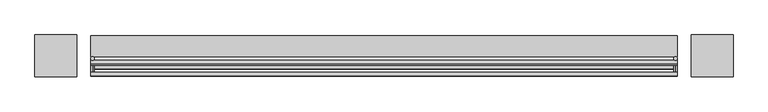
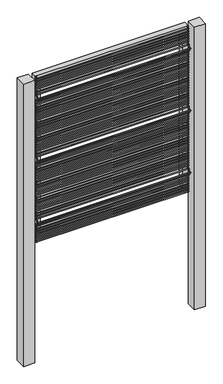
"""IFC4 building model written with IfcOpenShell, lengths in millimetres: railing geometry."""

from ifc_helpers import new_model, si_unit, point, frame, frame_2d, origin, place, context, project, spatial, polyline, circle_curve, ellipse_curve, trimmed, segment, composite_curve, outline, extrude, source, transform, mapped, element, save
from ifc_brep_helpers import plane_surface, cylinder_surface, advanced_brep


def railing_93b7f658(model_context):
    return source(origin(), model_context, "Body", "SolidModel", [
        advanced_brep(
        [(-19528.4056958, 14808.5554142, 25.4), (-19528.4056958, 14802.2054142, 25.4), (-19528.4056958, 14802.2054142, 154.0342316), (-19528.4056958, 14808.5554142, 156.6644878), (-19528.4056958, 14778.4396458, 177.8), (-19528.4056958, 14787.419902, 177.8), (-19528.4056958, 14802.2054142, 201.5657684), (-19528.4056958, 14808.5554142, 198.9355122), (-19528.4056958, 14802.2054142, 611.2342316), (-19528.4056958, 14808.5554142, 613.8644878), (-19528.4056958, 14778.4396458, 635.0), (-19528.4056958, 14787.419902, 635.0), (-19528.4056958, 14802.2054142, 658.7657684), (-19528.4056958, 14808.5554142, 656.1355122), (-19528.4056958, 14802.2054142, 1068.4342316), (-19528.4056958, 14808.5554142, 1071.0644878), (-19528.4056958, 14778.4396458, 1092.2), (-19528.4056958, 14787.419902, 1092.2), (-19528.4056958, 14802.2054142, 1115.9657684), (-19528.4056958, 14808.5554142, 1113.3355122), (-19528.4056958, 14808.5554142, 1244.6), (-19528.4056958, 14802.2054142, 1244.6)],
        [
            (0, 1, circle_curve(frame((-19528.4056958, 14805.3804142, 25.4), z_axis=(0.0, 0.0, -1.0), x_axis=(0.0, -1.0, 0.0)), 3.175)),
            (1, 0, circle_curve(frame((-19528.4056958, 14805.3804142, 25.4), z_axis=(0.0, 0.0, -1.0), x_axis=(0.0, -1.0, 0.0)), 3.175)),
            (1, 2),
            (2, 3, ellipse_curve(frame((-19528.4056958, 14805.3804142, 155.3493597), z_axis=(0.0, 0.3826834323650955, -0.9238795325112844), x_axis=(0.0, -0.9238795325112845, -0.38268343236509544)), 3.4365952, 3.175)),
            (3, 0),
            (3, 2, ellipse_curve(frame((-19528.4056958, 14805.3804142, 155.3493597), z_axis=(0.0, 0.3826834323650955, -0.9238795325112844), x_axis=(0.0, -0.9238795325112845, -0.38268343236509544)), 3.4365952, 3.175)),
            (2, 4),
            (4, 5, ellipse_curve(frame((-19528.4056958, 14782.9297739, 177.8), z_axis=(0.0, 0.0, -1.0), x_axis=(0.0, 1.0, 0.0)), 4.4901281, 3.175)),
            (5, 3),
            (5, 4, ellipse_curve(frame((-19528.4056958, 14782.9297739, 177.8), z_axis=(0.0, 0.0, -1.0), x_axis=(0.0, 1.0, 0.0)), 4.4901281, 3.175)),
            (4, 6),
            (6, 7, ellipse_curve(frame((-19528.4056958, 14805.3804142, 200.2506403), z_axis=(0.0, -0.3826834323650839, -0.9238795325112892), x_axis=(0.0, -0.9238795325112893, 0.38268343236508373)), 3.4365952, 3.175)),
            (7, 5),
            (7, 6, ellipse_curve(frame((-19528.4056958, 14805.3804142, 200.2506403), z_axis=(0.0, -0.3826834323650839, -0.9238795325112892), x_axis=(0.0, -0.9238795325112893, 0.38268343236508373)), 3.4365952, 3.175)),
            (6, 8),
            (8, 9, ellipse_curve(frame((-19528.4056958, 14805.3804142, 612.5493597), z_axis=(0.0, 0.3826834323651024, -0.9238795325112816), x_axis=(0.0, -0.9238795325112816, -0.382683432365102)), 3.4365952, 3.175)),
            (9, 7),
            (9, 8, ellipse_curve(frame((-19528.4056958, 14805.3804142, 612.5493597), z_axis=(0.0, 0.3826834323651024, -0.9238795325112816), x_axis=(0.0, -0.9238795325112816, -0.382683432365102)), 3.4365952, 3.175)),
            (8, 10),
            (10, 11, ellipse_curve(frame((-19528.4056958, 14782.9297739, 635.0), z_axis=(0.0, 0.0, -1.0), x_axis=(0.0, 1.0, 0.0)), 4.4901281, 3.175)),
            (11, 9),
            (11, 10, ellipse_curve(frame((-19528.4056958, 14782.9297739, 635.0), z_axis=(0.0, 0.0, -1.0), x_axis=(0.0, 1.0, 0.0)), 4.4901281, 3.175)),
            (10, 12),
            (12, 13, ellipse_curve(frame((-19528.4056958, 14805.3804142, 657.4506403), z_axis=(0.0, -0.3826834323650771, -0.923879532511292), x_axis=(0.0, -0.9238795325112918, 0.3826834323650773)), 3.4365952, 3.175)),
            (13, 11),
            (13, 12, ellipse_curve(frame((-19528.4056958, 14805.3804142, 657.4506403), z_axis=(0.0, -0.3826834323650771, -0.923879532511292), x_axis=(0.0, -0.9238795325112918, 0.3826834323650773)), 3.4365952, 3.175)),
            (12, 14),
            (14, 15, ellipse_curve(frame((-19528.4056958, 14805.3804142, 1069.7493597), z_axis=(0.0, 0.3826834323650978, -0.9238795325112834), x_axis=(0.0, -0.9238795325112834, -0.382683432365098)), 3.4365952, 3.175)),
            (15, 13),
            (15, 14, ellipse_curve(frame((-19528.4056958, 14805.3804142, 1069.7493597), z_axis=(0.0, 0.3826834323650978, -0.9238795325112834), x_axis=(0.0, -0.9238795325112834, -0.382683432365098)), 3.4365952, 3.175)),
            (14, 16),
            (16, 17, ellipse_curve(frame((-19528.4056958, 14782.9297739, 1092.2), z_axis=(0.0, 0.0, -1.0), x_axis=(0.0, 1.0, 0.0)), 4.4901281, 3.175)),
            (17, 15),
            (17, 16, ellipse_curve(frame((-19528.4056958, 14782.9297739, 1092.2), z_axis=(0.0, 0.0, -1.0), x_axis=(0.0, 1.0, 0.0)), 4.4901281, 3.175)),
            (16, 18),
            (18, 19, ellipse_curve(frame((-19528.4056958, 14805.3804142, 1114.6506403), z_axis=(0.0, -0.38268343236508223, -0.9238795325112898), x_axis=(0.0, -0.92387953251129, 0.38268343236508207)), 3.4365952, 3.175)),
            (19, 17),
            (19, 18, ellipse_curve(frame((-19528.4056958, 14805.3804142, 1114.6506403), z_axis=(0.0, -0.38268343236508223, -0.9238795325112898), x_axis=(0.0, -0.92387953251129, 0.38268343236508207)), 3.4365952, 3.175)),
            (20, 21, circle_curve(frame((-19528.4056958, 14805.3804142, 1244.6), z_axis=(0.0, 0.0, 1.0), x_axis=(0.0, -1.0, 0.0)), 3.175)),
            (21, 20, circle_curve(frame((-19528.4056958, 14805.3804142, 1244.6), z_axis=(0.0, 0.0, 1.0), x_axis=(0.0, -1.0, 0.0)), 3.175)),
            (18, 21),
            (20, 19),
        ],
        [
            plane_surface(frame((-19528.4056958, 14805.3804142, 25.4), z_axis=(0.0, 0.0, -1.0), x_axis=(-1.0, 0.0, 0.0))),
            cylinder_surface(frame((-19528.4056958, 14805.3804142, 25.4), z_axis=(0.0, 0.0, -1.0), x_axis=(0.0, -1.0, 0.0)), 3.175),
            cylinder_surface(frame((-19528.4056958, 14805.3804142, 155.3493597), z_axis=(0.0, 0.7071067811865563, -0.7071067811865388), x_axis=(0.0, -0.7071067811865388, -0.7071067811865563)), 3.175),
            cylinder_surface(frame((-19528.4056958, 14782.9297739, 177.8), z_axis=(0.0, -0.7071067811865385, -0.7071067811865568), x_axis=(0.0, -0.7071067811865568, 0.7071067811865385)), 3.175),
            cylinder_surface(frame((-19528.4056958, 14805.3804142, 200.2506403), z_axis=(0.0, 0.0, -1.0), x_axis=(0.0, -1.0, 0.0)), 3.175),
            cylinder_surface(frame((-19528.4056958, 14805.3804142, 612.5493597), z_axis=(0.0, 0.7071067811865669, -0.707106781186528), x_axis=(0.0, -0.707106781186528, -0.7071067811865669)), 3.175),
            cylinder_surface(frame((-19528.4056958, 14782.9297739, 635.0), z_axis=(0.0, -0.7071067811865279, -0.7071067811865672), x_axis=(0.0, -0.7071067811865672, 0.7071067811865279)), 3.175),
            cylinder_surface(frame((-19528.4056958, 14805.3804142, 657.4506403), z_axis=(0.0, 0.0, -1.0), x_axis=(0.0, -1.0, 0.0)), 3.175),
            cylinder_surface(frame((-19528.4056958, 14805.3804142, 1069.7493597), z_axis=(0.0, 0.7071067811865601, -0.707106781186535), x_axis=(0.0, -0.707106781186535, -0.7071067811865601)), 3.175),
            cylinder_surface(frame((-19528.4056958, 14782.9297739, 1092.2), z_axis=(0.0, -0.7071067811865356, -0.7071067811865596), x_axis=(0.0, -0.7071067811865596, 0.7071067811865356)), 3.175),
            plane_surface(frame((-19528.4056958, 14805.3804142, 1244.6), z_axis=(0.0, 0.0, 1.0), x_axis=(-1.0, 0.0, 0.0))),
            cylinder_surface(frame((-19528.4056958, 14805.3804142, 1114.6506403), z_axis=(0.0, 0.0, -1.0), x_axis=(0.0, -1.0, 0.0)), 3.175),
        ],
        [
            (0, [[1, 2]]),
            (1, [[3, 4, 5, -2]]),
            (1, [[-5, 6, -3, -1]]),
            (2, [[7, 8, 9, -4]]),
            (2, [[-9, 10, -7, -6]]),
            (3, [[11, 12, 13, -8]]),
            (3, [[-13, 14, -11, -10]]),
            (4, [[15, 16, 17, -12]]),
            (4, [[-17, 18, -15, -14]]),
            (5, [[19, 20, 21, -16]]),
            (5, [[-21, 22, -19, -18]]),
            (6, [[23, 24, 25, -20]]),
            (6, [[-25, 26, -23, -22]]),
            (7, [[27, 28, 29, -24]]),
            (7, [[-29, 30, -27, -26]]),
            (8, [[31, 32, 33, -28]]),
            (8, [[-33, 34, -31, -30]]),
            (9, [[35, 36, 37, -32]]),
            (9, [[-37, 38, -35, -34]]),
            (10, [[39, 40]]),
            (11, [[41, -39, 42, -36]]),
            (11, [[-42, -40, -41, -38]]),
        ],
    ),
        advanced_brep(
        [(-18467.9556958, 14808.5554142, 25.4), (-18467.9556958, 14802.2054142, 25.4), (-18467.9556958, 14802.2054142, 154.0342316), (-18467.9556958, 14808.5554142, 156.6644878), (-18467.9556958, 14778.4396458, 177.8), (-18467.9556958, 14787.419902, 177.8), (-18467.9556958, 14802.2054142, 201.5657684), (-18467.9556958, 14808.5554142, 198.9355122), (-18467.9556958, 14802.2054142, 611.2342316), (-18467.9556958, 14808.5554142, 613.8644878), (-18467.9556958, 14778.4396458, 635.0), (-18467.9556958, 14787.419902, 635.0), (-18467.9556958, 14802.2054142, 658.7657684), (-18467.9556958, 14808.5554142, 656.1355122), (-18467.9556958, 14802.2054142, 1068.4342316), (-18467.9556958, 14808.5554142, 1071.0644878), (-18467.9556958, 14778.4396458, 1092.2), (-18467.9556958, 14787.419902, 1092.2), (-18467.9556958, 14802.2054142, 1115.9657684), (-18467.9556958, 14808.5554142, 1113.3355122), (-18467.9556958, 14808.5554142, 1244.6), (-18467.9556958, 14802.2054142, 1244.6)],
        [
            (0, 1, circle_curve(frame((-18467.9556958, 14805.3804142, 25.4), z_axis=(0.0, 0.0, -1.0), x_axis=(0.0, -1.0, 0.0)), 3.175)),
            (1, 0, circle_curve(frame((-18467.9556958, 14805.3804142, 25.4), z_axis=(0.0, 0.0, -1.0), x_axis=(0.0, -1.0, 0.0)), 3.175)),
            (1, 2),
            (2, 3, ellipse_curve(frame((-18467.9556958, 14805.3804142, 155.3493597), z_axis=(0.0, 0.3826834323650955, -0.9238795325112844), x_axis=(0.0, -0.9238795325112845, -0.38268343236509544)), 3.4365952, 3.175)),
            (3, 0),
            (3, 2, ellipse_curve(frame((-18467.9556958, 14805.3804142, 155.3493597), z_axis=(0.0, 0.3826834323650955, -0.9238795325112844), x_axis=(0.0, -0.9238795325112845, -0.38268343236509544)), 3.4365952, 3.175)),
            (2, 4),
            (4, 5, ellipse_curve(frame((-18467.9556958, 14782.9297739, 177.8), z_axis=(0.0, 0.0, -1.0), x_axis=(0.0, 1.0, 0.0)), 4.4901281, 3.175)),
            (5, 3),
            (5, 4, ellipse_curve(frame((-18467.9556958, 14782.9297739, 177.8), z_axis=(0.0, 0.0, -1.0), x_axis=(0.0, 1.0, 0.0)), 4.4901281, 3.175)),
            (4, 6),
            (6, 7, ellipse_curve(frame((-18467.9556958, 14805.3804142, 200.2506403), z_axis=(0.0, -0.3826834323650839, -0.9238795325112892), x_axis=(0.0, -0.9238795325112893, 0.38268343236508373)), 3.4365952, 3.175)),
            (7, 5),
            (7, 6, ellipse_curve(frame((-18467.9556958, 14805.3804142, 200.2506403), z_axis=(0.0, -0.3826834323650839, -0.9238795325112892), x_axis=(0.0, -0.9238795325112893, 0.38268343236508373)), 3.4365952, 3.175)),
            (6, 8),
            (8, 9, ellipse_curve(frame((-18467.9556958, 14805.3804142, 612.5493597), z_axis=(0.0, 0.3826834323651024, -0.9238795325112816), x_axis=(0.0, -0.9238795325112816, -0.382683432365102)), 3.4365952, 3.175)),
            (9, 7),
            (9, 8, ellipse_curve(frame((-18467.9556958, 14805.3804142, 612.5493597), z_axis=(0.0, 0.3826834323651024, -0.9238795325112816), x_axis=(0.0, -0.9238795325112816, -0.382683432365102)), 3.4365952, 3.175)),
            (8, 10),
            (10, 11, ellipse_curve(frame((-18467.9556958, 14782.9297739, 635.0), z_axis=(0.0, 0.0, -1.0), x_axis=(0.0, 1.0, 0.0)), 4.4901281, 3.175)),
            (11, 9),
            (11, 10, ellipse_curve(frame((-18467.9556958, 14782.9297739, 635.0), z_axis=(0.0, 0.0, -1.0), x_axis=(0.0, 1.0, 0.0)), 4.4901281, 3.175)),
            (10, 12),
            (12, 13, ellipse_curve(frame((-18467.9556958, 14805.3804142, 657.4506403), z_axis=(0.0, -0.3826834323650771, -0.923879532511292), x_axis=(0.0, -0.9238795325112918, 0.3826834323650773)), 3.4365952, 3.175)),
            (13, 11),
            (13, 12, ellipse_curve(frame((-18467.9556958, 14805.3804142, 657.4506403), z_axis=(0.0, -0.3826834323650771, -0.923879532511292), x_axis=(0.0, -0.9238795325112918, 0.3826834323650773)), 3.4365952, 3.175)),
            (12, 14),
            (14, 15, ellipse_curve(frame((-18467.9556958, 14805.3804142, 1069.7493597), z_axis=(0.0, 0.3826834323650978, -0.9238795325112834), x_axis=(0.0, -0.9238795325112834, -0.382683432365098)), 3.4365952, 3.175)),
            (15, 13),
            (15, 14, ellipse_curve(frame((-18467.9556958, 14805.3804142, 1069.7493597), z_axis=(0.0, 0.3826834323650978, -0.9238795325112834), x_axis=(0.0, -0.9238795325112834, -0.382683432365098)), 3.4365952, 3.175)),
            (14, 16),
            (16, 17, ellipse_curve(frame((-18467.9556958, 14782.9297739, 1092.2), z_axis=(0.0, 0.0, -1.0), x_axis=(0.0, 1.0, 0.0)), 4.4901281, 3.175)),
            (17, 15),
            (17, 16, ellipse_curve(frame((-18467.9556958, 14782.9297739, 1092.2), z_axis=(0.0, 0.0, -1.0), x_axis=(0.0, 1.0, 0.0)), 4.4901281, 3.175)),
            (16, 18),
            (18, 19, ellipse_curve(frame((-18467.9556958, 14805.3804142, 1114.6506403), z_axis=(0.0, -0.38268343236508223, -0.9238795325112898), x_axis=(0.0, -0.92387953251129, 0.38268343236508207)), 3.4365952, 3.175)),
            (19, 17),
            (19, 18, ellipse_curve(frame((-18467.9556958, 14805.3804142, 1114.6506403), z_axis=(0.0, -0.38268343236508223, -0.9238795325112898), x_axis=(0.0, -0.92387953251129, 0.38268343236508207)), 3.4365952, 3.175)),
            (20, 21, circle_curve(frame((-18467.9556958, 14805.3804142, 1244.6), z_axis=(0.0, 0.0, 1.0), x_axis=(0.0, -1.0, 0.0)), 3.175)),
            (21, 20, circle_curve(frame((-18467.9556958, 14805.3804142, 1244.6), z_axis=(0.0, 0.0, 1.0), x_axis=(0.0, -1.0, 0.0)), 3.175)),
            (18, 21),
            (20, 19),
        ],
        [
            plane_surface(frame((-18467.9556958, 14805.3804142, 25.4), z_axis=(0.0, 0.0, -1.0), x_axis=(-1.0, 0.0, 0.0))),
            cylinder_surface(frame((-18467.9556958, 14805.3804142, 25.4), z_axis=(0.0, 0.0, -1.0), x_axis=(0.0, -1.0, 0.0)), 3.175),
            cylinder_surface(frame((-18467.9556958, 14805.3804142, 155.3493597), z_axis=(0.0, 0.7071067811865563, -0.7071067811865388), x_axis=(0.0, -0.7071067811865388, -0.7071067811865563)), 3.175),
            cylinder_surface(frame((-18467.9556958, 14782.9297739, 177.8), z_axis=(0.0, -0.7071067811865385, -0.7071067811865568), x_axis=(0.0, -0.7071067811865568, 0.7071067811865385)), 3.175),
            cylinder_surface(frame((-18467.9556958, 14805.3804142, 200.2506403), z_axis=(0.0, 0.0, -1.0), x_axis=(0.0, -1.0, 0.0)), 3.175),
            cylinder_surface(frame((-18467.9556958, 14805.3804142, 612.5493597), z_axis=(0.0, 0.7071067811865669, -0.707106781186528), x_axis=(0.0, -0.707106781186528, -0.7071067811865669)), 3.175),
            cylinder_surface(frame((-18467.9556958, 14782.9297739, 635.0), z_axis=(0.0, -0.7071067811865279, -0.7071067811865672), x_axis=(0.0, -0.7071067811865672, 0.7071067811865279)), 3.175),
            cylinder_surface(frame((-18467.9556958, 14805.3804142, 657.4506403), z_axis=(0.0, 0.0, -1.0), x_axis=(0.0, -1.0, 0.0)), 3.175),
            cylinder_surface(frame((-18467.9556958, 14805.3804142, 1069.7493597), z_axis=(0.0, 0.7071067811865601, -0.707106781186535), x_axis=(0.0, -0.707106781186535, -0.7071067811865601)), 3.175),
            cylinder_surface(frame((-18467.9556958, 14782.9297739, 1092.2), z_axis=(0.0, -0.7071067811865356, -0.7071067811865596), x_axis=(0.0, -0.7071067811865596, 0.7071067811865356)), 3.175),
            plane_surface(frame((-18467.9556958, 14805.3804142, 1244.6), z_axis=(0.0, 0.0, 1.0), x_axis=(-1.0, 0.0, 0.0))),
            cylinder_surface(frame((-18467.9556958, 14805.3804142, 1114.6506403), z_axis=(0.0, 0.0, -1.0), x_axis=(0.0, -1.0, 0.0)), 3.175),
        ],
        [
            (0, [[1, 2]]),
            (1, [[3, 4, 5, -2]]),
            (1, [[-5, 6, -3, -1]]),
            (2, [[7, 8, 9, -4]]),
            (2, [[-9, 10, -7, -6]]),
            (3, [[11, 12, 13, -8]]),
            (3, [[-13, 14, -11, -10]]),
            (4, [[15, 16, 17, -12]]),
            (4, [[-17, 18, -15, -14]]),
            (5, [[19, 20, 21, -16]]),
            (5, [[-21, 22, -19, -18]]),
            (6, [[23, 24, 25, -20]]),
            (6, [[-25, 26, -23, -22]]),
            (7, [[27, 28, 29, -24]]),
            (7, [[-29, 30, -27, -26]]),
            (8, [[31, 32, 33, -28]]),
            (8, [[-33, 34, -31, -30]]),
            (9, [[35, 36, 37, -32]]),
            (9, [[-37, 38, -35, -34]]),
            (10, [[39, 40]]),
            (11, [[41, -39, 42, -36]]),
            (11, [[-42, -40, -41, -38]]),
        ],
    ),
        extrude(outline(polyline([(1244.6, -18464.7806958), (1244.6, -19531.5806958), (25.4, -19531.5806958), (25.4, -18464.7806958), (1244.6, -18464.7806958)]), holes=[polyline([(1206.5, -18502.8806958), (63.5, -18502.8806958), (63.5, -19493.4806958), (1206.5, -19493.4806958), (1206.5, -18502.8806958)])]), frame((0.0, 14808.5554142, 0.0), z_axis=(0.0, 1.0, 0.0), x_axis=(0.0, 0.0, 1.0)), (0.0, 0.0, 1.0), 38.1),
        extrude(outline(composite_curve([segment(trimmed(circle_curve(frame_2d((14799.0304142, 28.575)), 3.175), [point((14795.8554142, 28.575))], [point((14802.2054142, 28.575))], False, "CARTESIAN"), True, "CONTINUOUS"), segment(trimmed(circle_curve(frame_2d((14799.0304142, 28.575)), 3.175), [point((14802.2054142, 28.575))], [point((14795.8554142, 28.575))], False, "CARTESIAN"), True, "CONTINUOUS")], self_intersect=False)), frame((-19531.5806958, 0.0, 0.0), z_axis=(1.0, 0.0, 0.0), x_axis=(0.0, 1.0, 0.0)), (0.0, 0.0, 1.0), 1066.8),
        extrude(outline(composite_curve([segment(trimmed(circle_curve(frame_2d((14799.0304142, 47.625)), 3.175), [point((14795.8554142, 47.625))], [point((14802.2054142, 47.625))], False, "CARTESIAN"), True, "CONTINUOUS"), segment(trimmed(circle_curve(frame_2d((14799.0304142, 47.625)), 3.175), [point((14802.2054142, 47.625))], [point((14795.8554142, 47.625))], False, "CARTESIAN"), True, "CONTINUOUS")], self_intersect=False)), frame((-19531.5806958, 0.0, 0.0), z_axis=(1.0, 0.0, 0.0), x_axis=(0.0, 1.0, 0.0)), (0.0, 0.0, 1.0), 1066.8),
        extrude(outline(composite_curve([segment(trimmed(circle_curve(frame_2d((14799.0304142, 66.675)), 3.175), [point((14795.8554142, 66.675))], [point((14802.2054142, 66.675))], False, "CARTESIAN"), True, "CONTINUOUS"), segment(trimmed(circle_curve(frame_2d((14799.0304142, 66.675)), 3.175), [point((14802.2054142, 66.675))], [point((14795.8554142, 66.675))], False, "CARTESIAN"), True, "CONTINUOUS")], self_intersect=False)), frame((-19531.5806958, 0.0, 0.0), z_axis=(1.0, 0.0, 0.0), x_axis=(0.0, 1.0, 0.0)), (0.0, 0.0, 1.0), 1066.8),
        extrude(outline(composite_curve([segment(trimmed(circle_curve(frame_2d((14799.0304142, 85.725)), 3.175), [point((14795.8554142, 85.725))], [point((14802.2054142, 85.725))], False, "CARTESIAN"), True, "CONTINUOUS"), segment(trimmed(circle_curve(frame_2d((14799.0304142, 85.725)), 3.175), [point((14802.2054142, 85.725))], [point((14795.8554142, 85.725))], False, "CARTESIAN"), True, "CONTINUOUS")], self_intersect=False)), frame((-19531.5806958, 0.0, 0.0), z_axis=(1.0, 0.0, 0.0), x_axis=(0.0, 1.0, 0.0)), (0.0, 0.0, 1.0), 1066.8),
        extrude(outline(composite_curve([segment(trimmed(circle_curve(frame_2d((14799.0304142, 104.775)), 3.175), [point((14795.8554142, 104.775))], [point((14802.2054142, 104.775))], False, "CARTESIAN"), True, "CONTINUOUS"), segment(trimmed(circle_curve(frame_2d((14799.0304142, 104.775)), 3.175), [point((14802.2054142, 104.775))], [point((14795.8554142, 104.775))], False, "CARTESIAN"), True, "CONTINUOUS")], self_intersect=False)), frame((-19531.5806958, 0.0, 0.0), z_axis=(1.0, 0.0, 0.0), x_axis=(0.0, 1.0, 0.0)), (0.0, 0.0, 1.0), 1066.8),
        extrude(outline(composite_curve([segment(trimmed(circle_curve(frame_2d((14799.0304142, 123.825)), 3.175), [point((14795.8554142, 123.825))], [point((14802.2054142, 123.825))], False, "CARTESIAN"), True, "CONTINUOUS"), segment(trimmed(circle_curve(frame_2d((14799.0304142, 123.825)), 3.175), [point((14802.2054142, 123.825))], [point((14795.8554142, 123.825))], False, "CARTESIAN"), True, "CONTINUOUS")], self_intersect=False)), frame((-19531.5806958, 0.0, 0.0), z_axis=(1.0, 0.0, 0.0), x_axis=(0.0, 1.0, 0.0)), (0.0, 0.0, 1.0), 1066.8),
        extrude(outline(composite_curve([segment(trimmed(circle_curve(frame_2d((14799.0304142, 142.875)), 3.175), [point((14795.8554142, 142.875))], [point((14802.2054142, 142.875))], False, "CARTESIAN"), True, "CONTINUOUS"), segment(trimmed(circle_curve(frame_2d((14799.0304142, 142.875)), 3.175), [point((14802.2054142, 142.875))], [point((14795.8554142, 142.875))], False, "CARTESIAN"), True, "CONTINUOUS")], self_intersect=False)), frame((-19531.5806958, 0.0, 0.0), z_axis=(1.0, 0.0, 0.0), x_axis=(0.0, 1.0, 0.0)), (0.0, 0.0, 1.0), 1066.8),
        extrude(outline(composite_curve([segment(trimmed(circle_curve(frame_2d((14789.3771382, 161.925)), 3.175), [point((14786.2021382, 161.925))], [point((14792.5521382, 161.925))], False, "CARTESIAN"), True, "CONTINUOUS"), segment(trimmed(circle_curve(frame_2d((14789.3771382, 161.925)), 3.175), [point((14792.5521382, 161.925))], [point((14786.2021382, 161.925))], False, "CARTESIAN"), True, "CONTINUOUS")], self_intersect=False)), frame((-19531.5806958, 0.0, 0.0), z_axis=(1.0, 0.0, 0.0), x_axis=(0.0, 1.0, 0.0)), (0.0, 0.0, 1.0), 1066.8),
        extrude(outline(composite_curve([segment(trimmed(circle_curve(frame_2d((14776.6771382, 180.975)), 3.175), [point((14773.5021382, 180.975))], [point((14779.8521382, 180.975))], False, "CARTESIAN"), True, "CONTINUOUS"), segment(trimmed(circle_curve(frame_2d((14776.6771382, 180.975)), 3.175), [point((14779.8521382, 180.975))], [point((14773.5021382, 180.975))], False, "CARTESIAN"), True, "CONTINUOUS")], self_intersect=False)), frame((-19531.5806958, 0.0, 0.0), z_axis=(1.0, 0.0, 0.0), x_axis=(0.0, 1.0, 0.0)), (0.0, 0.0, 1.0), 1066.8),
        extrude(outline(composite_curve([segment(trimmed(circle_curve(frame_2d((14795.4585392, 200.025)), 3.175), [point((14792.2835392, 200.025))], [point((14798.6335392, 200.025))], False, "CARTESIAN"), True, "CONTINUOUS"), segment(trimmed(circle_curve(frame_2d((14795.4585392, 200.025)), 3.175), [point((14798.6335392, 200.025))], [point((14792.2835392, 200.025))], False, "CARTESIAN"), True, "CONTINUOUS")], self_intersect=False)), frame((-19531.5806958, 0.0, 0.0), z_axis=(1.0, 0.0, 0.0), x_axis=(0.0, 1.0, 0.0)), (0.0, 0.0, 1.0), 1066.8),
        extrude(outline(composite_curve([segment(trimmed(circle_curve(frame_2d((14799.0304142, 219.075)), 3.175), [point((14795.8554142, 219.075))], [point((14802.2054142, 219.075))], False, "CARTESIAN"), True, "CONTINUOUS"), segment(trimmed(circle_curve(frame_2d((14799.0304142, 219.075)), 3.175), [point((14802.2054142, 219.075))], [point((14795.8554142, 219.075))], False, "CARTESIAN"), True, "CONTINUOUS")], self_intersect=False)), frame((-19531.5806958, 0.0, 0.0), z_axis=(1.0, 0.0, 0.0), x_axis=(0.0, 1.0, 0.0)), (0.0, 0.0, 1.0), 1066.8),
        extrude(outline(composite_curve([segment(trimmed(circle_curve(frame_2d((14799.0304142, 238.125)), 3.175), [point((14795.8554142, 238.125))], [point((14802.2054142, 238.125))], False, "CARTESIAN"), True, "CONTINUOUS"), segment(trimmed(circle_curve(frame_2d((14799.0304142, 238.125)), 3.175), [point((14802.2054142, 238.125))], [point((14795.8554142, 238.125))], False, "CARTESIAN"), True, "CONTINUOUS")], self_intersect=False)), frame((-19531.5806958, 0.0, 0.0), z_axis=(1.0, 0.0, 0.0), x_axis=(0.0, 1.0, 0.0)), (0.0, 0.0, 1.0), 1066.8),
        extrude(outline(composite_curve([segment(trimmed(circle_curve(frame_2d((14799.0304142, 257.175)), 3.175), [point((14795.8554142, 257.175))], [point((14802.2054142, 257.175))], False, "CARTESIAN"), True, "CONTINUOUS"), segment(trimmed(circle_curve(frame_2d((14799.0304142, 257.175)), 3.175), [point((14802.2054142, 257.175))], [point((14795.8554142, 257.175))], False, "CARTESIAN"), True, "CONTINUOUS")], self_intersect=False)), frame((-19531.5806958, 0.0, 0.0), z_axis=(1.0, 0.0, 0.0), x_axis=(0.0, 1.0, 0.0)), (0.0, 0.0, 1.0), 1066.8),
        extrude(outline(composite_curve([segment(trimmed(circle_curve(frame_2d((14799.0304142, 276.225)), 3.175), [point((14795.8554142, 276.225))], [point((14802.2054142, 276.225))], False, "CARTESIAN"), True, "CONTINUOUS"), segment(trimmed(circle_curve(frame_2d((14799.0304142, 276.225)), 3.175), [point((14802.2054142, 276.225))], [point((14795.8554142, 276.225))], False, "CARTESIAN"), True, "CONTINUOUS")], self_intersect=False)), frame((-19531.5806958, 0.0, 0.0), z_axis=(1.0, 0.0, 0.0), x_axis=(0.0, 1.0, 0.0)), (0.0, 0.0, 1.0), 1066.8),
        extrude(outline(composite_curve([segment(trimmed(circle_curve(frame_2d((14799.0304142, 295.275)), 3.175), [point((14795.8554142, 295.275))], [point((14802.2054142, 295.275))], False, "CARTESIAN"), True, "CONTINUOUS"), segment(trimmed(circle_curve(frame_2d((14799.0304142, 295.275)), 3.175), [point((14802.2054142, 295.275))], [point((14795.8554142, 295.275))], False, "CARTESIAN"), True, "CONTINUOUS")], self_intersect=False)), frame((-19531.5806958, 0.0, 0.0), z_axis=(1.0, 0.0, 0.0), x_axis=(0.0, 1.0, 0.0)), (0.0, 0.0, 1.0), 1066.8),
        extrude(outline(composite_curve([segment(trimmed(circle_curve(frame_2d((14799.0304142, 314.325)), 3.175), [point((14795.8554142, 314.325))], [point((14802.2054142, 314.325))], False, "CARTESIAN"), True, "CONTINUOUS"), segment(trimmed(circle_curve(frame_2d((14799.0304142, 314.325)), 3.175), [point((14802.2054142, 314.325))], [point((14795.8554142, 314.325))], False, "CARTESIAN"), True, "CONTINUOUS")], self_intersect=False)), frame((-19531.5806958, 0.0, 0.0), z_axis=(1.0, 0.0, 0.0), x_axis=(0.0, 1.0, 0.0)), (0.0, 0.0, 1.0), 1066.8),
        extrude(outline(composite_curve([segment(trimmed(circle_curve(frame_2d((14799.0304142, 333.375)), 3.175), [point((14795.8554142, 333.375))], [point((14802.2054142, 333.375))], False, "CARTESIAN"), True, "CONTINUOUS"), segment(trimmed(circle_curve(frame_2d((14799.0304142, 333.375)), 3.175), [point((14802.2054142, 333.375))], [point((14795.8554142, 333.375))], False, "CARTESIAN"), True, "CONTINUOUS")], self_intersect=False)), frame((-19531.5806958, 0.0, 0.0), z_axis=(1.0, 0.0, 0.0), x_axis=(0.0, 1.0, 0.0)), (0.0, 0.0, 1.0), 1066.8),
        extrude(outline(composite_curve([segment(trimmed(circle_curve(frame_2d((14799.0304142, 352.425)), 3.175), [point((14795.8554142, 352.425))], [point((14802.2054142, 352.425))], False, "CARTESIAN"), True, "CONTINUOUS"), segment(trimmed(circle_curve(frame_2d((14799.0304142, 352.425)), 3.175), [point((14802.2054142, 352.425))], [point((14795.8554142, 352.425))], False, "CARTESIAN"), True, "CONTINUOUS")], self_intersect=False)), frame((-19531.5806958, 0.0, 0.0), z_axis=(1.0, 0.0, 0.0), x_axis=(0.0, 1.0, 0.0)), (0.0, 0.0, 1.0), 1066.8),
        extrude(outline(composite_curve([segment(trimmed(circle_curve(frame_2d((14799.0304142, 371.475)), 3.175), [point((14795.8554142, 371.475))], [point((14802.2054142, 371.475))], False, "CARTESIAN"), True, "CONTINUOUS"), segment(trimmed(circle_curve(frame_2d((14799.0304142, 371.475)), 3.175), [point((14802.2054142, 371.475))], [point((14795.8554142, 371.475))], False, "CARTESIAN"), True, "CONTINUOUS")], self_intersect=False)), frame((-19531.5806958, 0.0, 0.0), z_axis=(1.0, 0.0, 0.0), x_axis=(0.0, 1.0, 0.0)), (0.0, 0.0, 1.0), 1066.8),
        extrude(outline(composite_curve([segment(trimmed(circle_curve(frame_2d((14799.0304142, 390.525)), 3.175), [point((14795.8554142, 390.525))], [point((14802.2054142, 390.525))], False, "CARTESIAN"), True, "CONTINUOUS"), segment(trimmed(circle_curve(frame_2d((14799.0304142, 390.525)), 3.175), [point((14802.2054142, 390.525))], [point((14795.8554142, 390.525))], False, "CARTESIAN"), True, "CONTINUOUS")], self_intersect=False)), frame((-19531.5806958, 0.0, 0.0), z_axis=(1.0, 0.0, 0.0), x_axis=(0.0, 1.0, 0.0)), (0.0, 0.0, 1.0), 1066.8),
        extrude(outline(composite_curve([segment(trimmed(circle_curve(frame_2d((14799.0304142, 409.575)), 3.175), [point((14795.8554142, 409.575))], [point((14802.2054142, 409.575))], False, "CARTESIAN"), True, "CONTINUOUS"), segment(trimmed(circle_curve(frame_2d((14799.0304142, 409.575)), 3.175), [point((14802.2054142, 409.575))], [point((14795.8554142, 409.575))], False, "CARTESIAN"), True, "CONTINUOUS")], self_intersect=False)), frame((-19531.5806958, 0.0, 0.0), z_axis=(1.0, 0.0, 0.0), x_axis=(0.0, 1.0, 0.0)), (0.0, 0.0, 1.0), 1066.8),
        extrude(outline(composite_curve([segment(trimmed(circle_curve(frame_2d((14799.0304142, 428.625)), 3.175), [point((14795.8554142, 428.625))], [point((14802.2054142, 428.625))], False, "CARTESIAN"), True, "CONTINUOUS"), segment(trimmed(circle_curve(frame_2d((14799.0304142, 428.625)), 3.175), [point((14802.2054142, 428.625))], [point((14795.8554142, 428.625))], False, "CARTESIAN"), True, "CONTINUOUS")], self_intersect=False)), frame((-19531.5806958, 0.0, 0.0), z_axis=(1.0, 0.0, 0.0), x_axis=(0.0, 1.0, 0.0)), (0.0, 0.0, 1.0), 1066.8),
        extrude(outline(composite_curve([segment(trimmed(circle_curve(frame_2d((14799.0304142, 447.675)), 3.175), [point((14795.8554142, 447.675))], [point((14802.2054142, 447.675))], False, "CARTESIAN"), True, "CONTINUOUS"), segment(trimmed(circle_curve(frame_2d((14799.0304142, 447.675)), 3.175), [point((14802.2054142, 447.675))], [point((14795.8554142, 447.675))], False, "CARTESIAN"), True, "CONTINUOUS")], self_intersect=False)), frame((-19531.5806958, 0.0, 0.0), z_axis=(1.0, 0.0, 0.0), x_axis=(0.0, 1.0, 0.0)), (0.0, 0.0, 1.0), 1066.8),
        extrude(outline(composite_curve([segment(trimmed(circle_curve(frame_2d((14799.0304142, 466.725)), 3.175), [point((14795.8554142, 466.725))], [point((14802.2054142, 466.725))], False, "CARTESIAN"), True, "CONTINUOUS"), segment(trimmed(circle_curve(frame_2d((14799.0304142, 466.725)), 3.175), [point((14802.2054142, 466.725))], [point((14795.8554142, 466.725))], False, "CARTESIAN"), True, "CONTINUOUS")], self_intersect=False)), frame((-19531.5806958, 0.0, 0.0), z_axis=(1.0, 0.0, 0.0), x_axis=(0.0, 1.0, 0.0)), (0.0, 0.0, 1.0), 1066.8),
        extrude(outline(composite_curve([segment(trimmed(circle_curve(frame_2d((14799.0304142, 485.775)), 3.175), [point((14795.8554142, 485.775))], [point((14802.2054142, 485.775))], False, "CARTESIAN"), True, "CONTINUOUS"), segment(trimmed(circle_curve(frame_2d((14799.0304142, 485.775)), 3.175), [point((14802.2054142, 485.775))], [point((14795.8554142, 485.775))], False, "CARTESIAN"), True, "CONTINUOUS")], self_intersect=False)), frame((-19531.5806958, 0.0, 0.0), z_axis=(1.0, 0.0, 0.0), x_axis=(0.0, 1.0, 0.0)), (0.0, 0.0, 1.0), 1066.8),
        extrude(outline(composite_curve([segment(trimmed(circle_curve(frame_2d((14799.0304142, 504.825)), 3.175), [point((14795.8554142, 504.825))], [point((14802.2054142, 504.825))], False, "CARTESIAN"), True, "CONTINUOUS"), segment(trimmed(circle_curve(frame_2d((14799.0304142, 504.825)), 3.175), [point((14802.2054142, 504.825))], [point((14795.8554142, 504.825))], False, "CARTESIAN"), True, "CONTINUOUS")], self_intersect=False)), frame((-19531.5806958, 0.0, 0.0), z_axis=(1.0, 0.0, 0.0), x_axis=(0.0, 1.0, 0.0)), (0.0, 0.0, 1.0), 1066.8),
        extrude(outline(composite_curve([segment(trimmed(circle_curve(frame_2d((14799.0304142, 523.875)), 3.175), [point((14795.8554142, 523.875))], [point((14802.2054142, 523.875))], False, "CARTESIAN"), True, "CONTINUOUS"), segment(trimmed(circle_curve(frame_2d((14799.0304142, 523.875)), 3.175), [point((14802.2054142, 523.875))], [point((14795.8554142, 523.875))], False, "CARTESIAN"), True, "CONTINUOUS")], self_intersect=False)), frame((-19531.5806958, 0.0, 0.0), z_axis=(1.0, 0.0, 0.0), x_axis=(0.0, 1.0, 0.0)), (0.0, 0.0, 1.0), 1066.8),
        extrude(outline(composite_curve([segment(trimmed(circle_curve(frame_2d((14799.0304142, 542.925)), 3.175), [point((14795.8554142, 542.925))], [point((14802.2054142, 542.925))], False, "CARTESIAN"), True, "CONTINUOUS"), segment(trimmed(circle_curve(frame_2d((14799.0304142, 542.925)), 3.175), [point((14802.2054142, 542.925))], [point((14795.8554142, 542.925))], False, "CARTESIAN"), True, "CONTINUOUS")], self_intersect=False)), frame((-19531.5806958, 0.0, 0.0), z_axis=(1.0, 0.0, 0.0), x_axis=(0.0, 1.0, 0.0)), (0.0, 0.0, 1.0), 1066.8),
        extrude(outline(composite_curve([segment(trimmed(circle_curve(frame_2d((14799.0304142, 561.975)), 3.175), [point((14795.8554142, 561.975))], [point((14802.2054142, 561.975))], False, "CARTESIAN"), True, "CONTINUOUS"), segment(trimmed(circle_curve(frame_2d((14799.0304142, 561.975)), 3.175), [point((14802.2054142, 561.975))], [point((14795.8554142, 561.975))], False, "CARTESIAN"), True, "CONTINUOUS")], self_intersect=False)), frame((-19531.5806958, 0.0, 0.0), z_axis=(1.0, 0.0, 0.0), x_axis=(0.0, 1.0, 0.0)), (0.0, 0.0, 1.0), 1066.8),
        extrude(outline(composite_curve([segment(trimmed(circle_curve(frame_2d((14799.0304142, 581.025)), 3.175), [point((14795.8554142, 581.025))], [point((14802.2054142, 581.025))], False, "CARTESIAN"), True, "CONTINUOUS"), segment(trimmed(circle_curve(frame_2d((14799.0304142, 581.025)), 3.175), [point((14802.2054142, 581.025))], [point((14795.8554142, 581.025))], False, "CARTESIAN"), True, "CONTINUOUS")], self_intersect=False)), frame((-19531.5806958, 0.0, 0.0), z_axis=(1.0, 0.0, 0.0), x_axis=(0.0, 1.0, 0.0)), (0.0, 0.0, 1.0), 1066.8),
        extrude(outline(composite_curve([segment(trimmed(circle_curve(frame_2d((14799.0304142, 600.075)), 3.175), [point((14795.8554142, 600.075))], [point((14802.2054142, 600.075))], False, "CARTESIAN"), True, "CONTINUOUS"), segment(trimmed(circle_curve(frame_2d((14799.0304142, 600.075)), 3.175), [point((14802.2054142, 600.075))], [point((14795.8554142, 600.075))], False, "CARTESIAN"), True, "CONTINUOUS")], self_intersect=False)), frame((-19531.5806958, 0.0, 0.0), z_axis=(1.0, 0.0, 0.0), x_axis=(0.0, 1.0, 0.0)), (0.0, 0.0, 1.0), 1066.8),
        extrude(outline(composite_curve([segment(trimmed(circle_curve(frame_2d((14789.5054142, 619.125)), 3.175), [point((14786.3304142, 619.125))], [point((14792.6804142, 619.125))], False, "CARTESIAN"), True, "CONTINUOUS"), segment(trimmed(circle_curve(frame_2d((14789.5054142, 619.125)), 3.175), [point((14792.6804142, 619.125))], [point((14786.3304142, 619.125))], False, "CARTESIAN"), True, "CONTINUOUS")], self_intersect=False)), frame((-19531.5806958, 0.0, 0.0), z_axis=(1.0, 0.0, 0.0), x_axis=(0.0, 1.0, 0.0)), (0.0, 0.0, 1.0), 1066.8),
        extrude(outline(composite_curve([segment(trimmed(circle_curve(frame_2d((14776.8054142, 638.175)), 3.175), [point((14773.6304142, 638.175))], [point((14779.9804142, 638.175))], False, "CARTESIAN"), True, "CONTINUOUS"), segment(trimmed(circle_curve(frame_2d((14776.8054142, 638.175)), 3.175), [point((14779.9804142, 638.175))], [point((14773.6304142, 638.175))], False, "CARTESIAN"), True, "CONTINUOUS")], self_intersect=False)), frame((-19531.5806958, 0.0, 0.0), z_axis=(1.0, 0.0, 0.0), x_axis=(0.0, 1.0, 0.0)), (0.0, 0.0, 1.0), 1066.8),
        extrude(outline(composite_curve([segment(trimmed(circle_curve(frame_2d((14795.8554142, 657.225)), 3.175), [point((14792.6804142, 657.225))], [point((14799.0304142, 657.225))], False, "CARTESIAN"), True, "CONTINUOUS"), segment(trimmed(circle_curve(frame_2d((14795.8554142, 657.225)), 3.175), [point((14799.0304142, 657.225))], [point((14792.6804142, 657.225))], False, "CARTESIAN"), True, "CONTINUOUS")], self_intersect=False)), frame((-19531.5806958, 0.0, 0.0), z_axis=(1.0, 0.0, 0.0), x_axis=(0.0, 1.0, 0.0)), (0.0, 0.0, 1.0), 1066.8),
        extrude(outline(composite_curve([segment(trimmed(circle_curve(frame_2d((14799.0304142, 676.275)), 3.175), [point((14795.8554142, 676.275))], [point((14802.2054142, 676.275))], False, "CARTESIAN"), True, "CONTINUOUS"), segment(trimmed(circle_curve(frame_2d((14799.0304142, 676.275)), 3.175), [point((14802.2054142, 676.275))], [point((14795.8554142, 676.275))], False, "CARTESIAN"), True, "CONTINUOUS")], self_intersect=False)), frame((-19531.5806958, 0.0, 0.0), z_axis=(1.0, 0.0, 0.0), x_axis=(0.0, 1.0, 0.0)), (0.0, 0.0, 1.0), 1066.8),
        extrude(outline(composite_curve([segment(trimmed(circle_curve(frame_2d((14799.0304142, 695.325)), 3.175), [point((14795.8554142, 695.325))], [point((14802.2054142, 695.325))], False, "CARTESIAN"), True, "CONTINUOUS"), segment(trimmed(circle_curve(frame_2d((14799.0304142, 695.325)), 3.175), [point((14802.2054142, 695.325))], [point((14795.8554142, 695.325))], False, "CARTESIAN"), True, "CONTINUOUS")], self_intersect=False)), frame((-19531.5806958, 0.0, 0.0), z_axis=(1.0, 0.0, 0.0), x_axis=(0.0, 1.0, 0.0)), (0.0, 0.0, 1.0), 1066.8),
        extrude(outline(composite_curve([segment(trimmed(circle_curve(frame_2d((14799.0304142, 714.375)), 3.175), [point((14795.8554142, 714.375))], [point((14802.2054142, 714.375))], False, "CARTESIAN"), True, "CONTINUOUS"), segment(trimmed(circle_curve(frame_2d((14799.0304142, 714.375)), 3.175), [point((14802.2054142, 714.375))], [point((14795.8554142, 714.375))], False, "CARTESIAN"), True, "CONTINUOUS")], self_intersect=False)), frame((-19531.5806958, 0.0, 0.0), z_axis=(1.0, 0.0, 0.0), x_axis=(0.0, 1.0, 0.0)), (0.0, 0.0, 1.0), 1066.8),
        extrude(outline(composite_curve([segment(trimmed(circle_curve(frame_2d((14799.0304142, 733.425)), 3.175), [point((14795.8554142, 733.425))], [point((14802.2054142, 733.425))], False, "CARTESIAN"), True, "CONTINUOUS"), segment(trimmed(circle_curve(frame_2d((14799.0304142, 733.425)), 3.175), [point((14802.2054142, 733.425))], [point((14795.8554142, 733.425))], False, "CARTESIAN"), True, "CONTINUOUS")], self_intersect=False)), frame((-19531.5806958, 0.0, 0.0), z_axis=(1.0, 0.0, 0.0), x_axis=(0.0, 1.0, 0.0)), (0.0, 0.0, 1.0), 1066.8),
        extrude(outline(composite_curve([segment(trimmed(circle_curve(frame_2d((14799.0304142, 752.475)), 3.175), [point((14795.8554142, 752.475))], [point((14802.2054142, 752.475))], False, "CARTESIAN"), True, "CONTINUOUS"), segment(trimmed(circle_curve(frame_2d((14799.0304142, 752.475)), 3.175), [point((14802.2054142, 752.475))], [point((14795.8554142, 752.475))], False, "CARTESIAN"), True, "CONTINUOUS")], self_intersect=False)), frame((-19531.5806958, 0.0, 0.0), z_axis=(1.0, 0.0, 0.0), x_axis=(0.0, 1.0, 0.0)), (0.0, 0.0, 1.0), 1066.8),
        extrude(outline(composite_curve([segment(trimmed(circle_curve(frame_2d((14799.0304142, 771.525)), 3.175), [point((14795.8554142, 771.525))], [point((14802.2054142, 771.525))], False, "CARTESIAN"), True, "CONTINUOUS"), segment(trimmed(circle_curve(frame_2d((14799.0304142, 771.525)), 3.175), [point((14802.2054142, 771.525))], [point((14795.8554142, 771.525))], False, "CARTESIAN"), True, "CONTINUOUS")], self_intersect=False)), frame((-19531.5806958, 0.0, 0.0), z_axis=(1.0, 0.0, 0.0), x_axis=(0.0, 1.0, 0.0)), (0.0, 0.0, 1.0), 1066.8),
        extrude(outline(composite_curve([segment(trimmed(circle_curve(frame_2d((14799.0304142, 790.575)), 3.175), [point((14795.8554142, 790.575))], [point((14802.2054142, 790.575))], False, "CARTESIAN"), True, "CONTINUOUS"), segment(trimmed(circle_curve(frame_2d((14799.0304142, 790.575)), 3.175), [point((14802.2054142, 790.575))], [point((14795.8554142, 790.575))], False, "CARTESIAN"), True, "CONTINUOUS")], self_intersect=False)), frame((-19531.5806958, 0.0, 0.0), z_axis=(1.0, 0.0, 0.0), x_axis=(0.0, 1.0, 0.0)), (0.0, 0.0, 1.0), 1066.8),
        extrude(outline(composite_curve([segment(trimmed(circle_curve(frame_2d((14799.0304142, 809.625)), 3.175), [point((14795.8554142, 809.625))], [point((14802.2054142, 809.625))], False, "CARTESIAN"), True, "CONTINUOUS"), segment(trimmed(circle_curve(frame_2d((14799.0304142, 809.625)), 3.175), [point((14802.2054142, 809.625))], [point((14795.8554142, 809.625))], False, "CARTESIAN"), True, "CONTINUOUS")], self_intersect=False)), frame((-19531.5806958, 0.0, 0.0), z_axis=(1.0, 0.0, 0.0), x_axis=(0.0, 1.0, 0.0)), (0.0, 0.0, 1.0), 1066.8),
        extrude(outline(composite_curve([segment(trimmed(circle_curve(frame_2d((14799.0304142, 828.675)), 3.175), [point((14795.8554142, 828.675))], [point((14802.2054142, 828.675))], False, "CARTESIAN"), True, "CONTINUOUS"), segment(trimmed(circle_curve(frame_2d((14799.0304142, 828.675)), 3.175), [point((14802.2054142, 828.675))], [point((14795.8554142, 828.675))], False, "CARTESIAN"), True, "CONTINUOUS")], self_intersect=False)), frame((-19531.5806958, 0.0, 0.0), z_axis=(1.0, 0.0, 0.0), x_axis=(0.0, 1.0, 0.0)), (0.0, 0.0, 1.0), 1066.8),
        extrude(outline(composite_curve([segment(trimmed(circle_curve(frame_2d((14799.0304142, 847.725)), 3.175), [point((14795.8554142, 847.725))], [point((14802.2054142, 847.725))], False, "CARTESIAN"), True, "CONTINUOUS"), segment(trimmed(circle_curve(frame_2d((14799.0304142, 847.725)), 3.175), [point((14802.2054142, 847.725))], [point((14795.8554142, 847.725))], False, "CARTESIAN"), True, "CONTINUOUS")], self_intersect=False)), frame((-19531.5806958, 0.0, 0.0), z_axis=(1.0, 0.0, 0.0), x_axis=(0.0, 1.0, 0.0)), (0.0, 0.0, 1.0), 1066.8),
        extrude(outline(composite_curve([segment(trimmed(circle_curve(frame_2d((14799.0304142, 866.775)), 3.175), [point((14795.8554142, 866.775))], [point((14802.2054142, 866.775))], False, "CARTESIAN"), True, "CONTINUOUS"), segment(trimmed(circle_curve(frame_2d((14799.0304142, 866.775)), 3.175), [point((14802.2054142, 866.775))], [point((14795.8554142, 866.775))], False, "CARTESIAN"), True, "CONTINUOUS")], self_intersect=False)), frame((-19531.5806958, 0.0, 0.0), z_axis=(1.0, 0.0, 0.0), x_axis=(0.0, 1.0, 0.0)), (0.0, 0.0, 1.0), 1066.8),
        extrude(outline(composite_curve([segment(trimmed(circle_curve(frame_2d((14799.0304142, 885.825)), 3.175), [point((14795.8554142, 885.825))], [point((14802.2054142, 885.825))], False, "CARTESIAN"), True, "CONTINUOUS"), segment(trimmed(circle_curve(frame_2d((14799.0304142, 885.825)), 3.175), [point((14802.2054142, 885.825))], [point((14795.8554142, 885.825))], False, "CARTESIAN"), True, "CONTINUOUS")], self_intersect=False)), frame((-19531.5806958, 0.0, 0.0), z_axis=(1.0, 0.0, 0.0), x_axis=(0.0, 1.0, 0.0)), (0.0, 0.0, 1.0), 1066.8),
        extrude(outline(composite_curve([segment(trimmed(circle_curve(frame_2d((14799.0304142, 904.875)), 3.175), [point((14795.8554142, 904.875))], [point((14802.2054142, 904.875))], False, "CARTESIAN"), True, "CONTINUOUS"), segment(trimmed(circle_curve(frame_2d((14799.0304142, 904.875)), 3.175), [point((14802.2054142, 904.875))], [point((14795.8554142, 904.875))], False, "CARTESIAN"), True, "CONTINUOUS")], self_intersect=False)), frame((-19531.5806958, 0.0, 0.0), z_axis=(1.0, 0.0, 0.0), x_axis=(0.0, 1.0, 0.0)), (0.0, 0.0, 1.0), 1066.8),
        extrude(outline(composite_curve([segment(trimmed(circle_curve(frame_2d((14799.0304142, 923.925)), 3.175), [point((14795.8554142, 923.925))], [point((14802.2054142, 923.925))], False, "CARTESIAN"), True, "CONTINUOUS"), segment(trimmed(circle_curve(frame_2d((14799.0304142, 923.925)), 3.175), [point((14802.2054142, 923.925))], [point((14795.8554142, 923.925))], False, "CARTESIAN"), True, "CONTINUOUS")], self_intersect=False)), frame((-19531.5806958, 0.0, 0.0), z_axis=(1.0, 0.0, 0.0), x_axis=(0.0, 1.0, 0.0)), (0.0, 0.0, 1.0), 1066.8),
        extrude(outline(composite_curve([segment(trimmed(circle_curve(frame_2d((14799.0304142, 942.975)), 3.175), [point((14795.8554142, 942.975))], [point((14802.2054142, 942.975))], False, "CARTESIAN"), True, "CONTINUOUS"), segment(trimmed(circle_curve(frame_2d((14799.0304142, 942.975)), 3.175), [point((14802.2054142, 942.975))], [point((14795.8554142, 942.975))], False, "CARTESIAN"), True, "CONTINUOUS")], self_intersect=False)), frame((-19531.5806958, 0.0, 0.0), z_axis=(1.0, 0.0, 0.0), x_axis=(0.0, 1.0, 0.0)), (0.0, 0.0, 1.0), 1066.8),
        extrude(outline(composite_curve([segment(trimmed(circle_curve(frame_2d((14799.0304142, 962.025)), 3.175), [point((14795.8554142, 962.025))], [point((14802.2054142, 962.025))], False, "CARTESIAN"), True, "CONTINUOUS"), segment(trimmed(circle_curve(frame_2d((14799.0304142, 962.025)), 3.175), [point((14802.2054142, 962.025))], [point((14795.8554142, 962.025))], False, "CARTESIAN"), True, "CONTINUOUS")], self_intersect=False)), frame((-19531.5806958, 0.0, 0.0), z_axis=(1.0, 0.0, 0.0), x_axis=(0.0, 1.0, 0.0)), (0.0, 0.0, 1.0), 1066.8),
        extrude(outline(composite_curve([segment(trimmed(circle_curve(frame_2d((14799.0304142, 981.075)), 3.175), [point((14795.8554142, 981.075))], [point((14802.2054142, 981.075))], False, "CARTESIAN"), True, "CONTINUOUS"), segment(trimmed(circle_curve(frame_2d((14799.0304142, 981.075)), 3.175), [point((14802.2054142, 981.075))], [point((14795.8554142, 981.075))], False, "CARTESIAN"), True, "CONTINUOUS")], self_intersect=False)), frame((-19531.5806958, 0.0, 0.0), z_axis=(1.0, 0.0, 0.0), x_axis=(0.0, 1.0, 0.0)), (0.0, 0.0, 1.0), 1066.8),
        extrude(outline(composite_curve([segment(trimmed(circle_curve(frame_2d((14799.0304142, 1000.125)), 3.175), [point((14795.8554142, 1000.125))], [point((14802.2054142, 1000.125))], False, "CARTESIAN"), True, "CONTINUOUS"), segment(trimmed(circle_curve(frame_2d((14799.0304142, 1000.125)), 3.175), [point((14802.2054142, 1000.125))], [point((14795.8554142, 1000.125))], False, "CARTESIAN"), True, "CONTINUOUS")], self_intersect=False)), frame((-19531.5806958, 0.0, 0.0), z_axis=(1.0, 0.0, 0.0), x_axis=(0.0, 1.0, 0.0)), (0.0, 0.0, 1.0), 1066.8),
        extrude(outline(composite_curve([segment(trimmed(circle_curve(frame_2d((14799.0304142, 1019.175)), 3.175), [point((14795.8554142, 1019.175))], [point((14802.2054142, 1019.175))], False, "CARTESIAN"), True, "CONTINUOUS"), segment(trimmed(circle_curve(frame_2d((14799.0304142, 1019.175)), 3.175), [point((14802.2054142, 1019.175))], [point((14795.8554142, 1019.175))], False, "CARTESIAN"), True, "CONTINUOUS")], self_intersect=False)), frame((-19531.5806958, 0.0, 0.0), z_axis=(1.0, 0.0, 0.0), x_axis=(0.0, 1.0, 0.0)), (0.0, 0.0, 1.0), 1066.8),
        extrude(outline(composite_curve([segment(trimmed(circle_curve(frame_2d((14799.0304142, 1038.225)), 3.175), [point((14795.8554142, 1038.225))], [point((14802.2054142, 1038.225))], False, "CARTESIAN"), True, "CONTINUOUS"), segment(trimmed(circle_curve(frame_2d((14799.0304142, 1038.225)), 3.175), [point((14802.2054142, 1038.225))], [point((14795.8554142, 1038.225))], False, "CARTESIAN"), True, "CONTINUOUS")], self_intersect=False)), frame((-19531.5806958, 0.0, 0.0), z_axis=(1.0, 0.0, 0.0), x_axis=(0.0, 1.0, 0.0)), (0.0, 0.0, 1.0), 1066.8),
        extrude(outline(composite_curve([segment(trimmed(circle_curve(frame_2d((14799.0304142, 1057.275)), 3.175), [point((14795.8554142, 1057.275))], [point((14802.2054142, 1057.275))], False, "CARTESIAN"), True, "CONTINUOUS"), segment(trimmed(circle_curve(frame_2d((14799.0304142, 1057.275)), 3.175), [point((14802.2054142, 1057.275))], [point((14795.8554142, 1057.275))], False, "CARTESIAN"), True, "CONTINUOUS")], self_intersect=False)), frame((-19531.5806958, 0.0, 0.0), z_axis=(1.0, 0.0, 0.0), x_axis=(0.0, 1.0, 0.0)), (0.0, 0.0, 1.0), 1066.8),
        extrude(outline(composite_curve([segment(trimmed(circle_curve(frame_2d((14789.5054142, 1076.325)), 3.175), [point((14786.3304142, 1076.325))], [point((14792.6804142, 1076.325))], False, "CARTESIAN"), True, "CONTINUOUS"), segment(trimmed(circle_curve(frame_2d((14789.5054142, 1076.325)), 3.175), [point((14792.6804142, 1076.325))], [point((14786.3304142, 1076.325))], False, "CARTESIAN"), True, "CONTINUOUS")], self_intersect=False)), frame((-19531.5806958, 0.0, 0.0), z_axis=(1.0, 0.0, 0.0), x_axis=(0.0, 1.0, 0.0)), (0.0, 0.0, 1.0), 1066.8),
        extrude(outline(composite_curve([segment(trimmed(circle_curve(frame_2d((14776.8054142, 1095.375)), 3.175), [point((14773.6304142, 1095.375))], [point((14779.9804142, 1095.375))], False, "CARTESIAN"), True, "CONTINUOUS"), segment(trimmed(circle_curve(frame_2d((14776.8054142, 1095.375)), 3.175), [point((14779.9804142, 1095.375))], [point((14773.6304142, 1095.375))], False, "CARTESIAN"), True, "CONTINUOUS")], self_intersect=False)), frame((-19531.5806958, 0.0, 0.0), z_axis=(1.0, 0.0, 0.0), x_axis=(0.0, 1.0, 0.0)), (0.0, 0.0, 1.0), 1066.8),
        extrude(outline(composite_curve([segment(trimmed(circle_curve(frame_2d((14795.8554142, 1114.425)), 3.175), [point((14792.6804142, 1114.425))], [point((14799.0304142, 1114.425))], False, "CARTESIAN"), True, "CONTINUOUS"), segment(trimmed(circle_curve(frame_2d((14795.8554142, 1114.425)), 3.175), [point((14799.0304142, 1114.425))], [point((14792.6804142, 1114.425))], False, "CARTESIAN"), True, "CONTINUOUS")], self_intersect=False)), frame((-19531.5806958, 0.0, 0.0), z_axis=(1.0, 0.0, 0.0), x_axis=(0.0, 1.0, 0.0)), (0.0, 0.0, 1.0), 1066.8),
        extrude(outline(composite_curve([segment(trimmed(circle_curve(frame_2d((14799.0304142, 1133.475)), 3.175), [point((14795.8554142, 1133.475))], [point((14802.2054142, 1133.475))], False, "CARTESIAN"), True, "CONTINUOUS"), segment(trimmed(circle_curve(frame_2d((14799.0304142, 1133.475)), 3.175), [point((14802.2054142, 1133.475))], [point((14795.8554142, 1133.475))], False, "CARTESIAN"), True, "CONTINUOUS")], self_intersect=False)), frame((-19531.5806958, 0.0, 0.0), z_axis=(1.0, 0.0, 0.0), x_axis=(0.0, 1.0, 0.0)), (0.0, 0.0, 1.0), 1066.8),
        extrude(outline(composite_curve([segment(trimmed(circle_curve(frame_2d((14799.0304142, 1152.525)), 3.175), [point((14795.8554142, 1152.525))], [point((14802.2054142, 1152.525))], False, "CARTESIAN"), True, "CONTINUOUS"), segment(trimmed(circle_curve(frame_2d((14799.0304142, 1152.525)), 3.175), [point((14802.2054142, 1152.525))], [point((14795.8554142, 1152.525))], False, "CARTESIAN"), True, "CONTINUOUS")], self_intersect=False)), frame((-19531.5806958, 0.0, 0.0), z_axis=(1.0, 0.0, 0.0), x_axis=(0.0, 1.0, 0.0)), (0.0, 0.0, 1.0), 1066.8),
        extrude(outline(composite_curve([segment(trimmed(circle_curve(frame_2d((14799.0304142, 1171.575)), 3.175), [point((14795.8554142, 1171.575))], [point((14802.2054142, 1171.575))], False, "CARTESIAN"), True, "CONTINUOUS"), segment(trimmed(circle_curve(frame_2d((14799.0304142, 1171.575)), 3.175), [point((14802.2054142, 1171.575))], [point((14795.8554142, 1171.575))], False, "CARTESIAN"), True, "CONTINUOUS")], self_intersect=False)), frame((-19531.5806958, 0.0, 0.0), z_axis=(1.0, 0.0, 0.0), x_axis=(0.0, 1.0, 0.0)), (0.0, 0.0, 1.0), 1066.8),
        extrude(outline(composite_curve([segment(trimmed(circle_curve(frame_2d((14799.0304142, 1190.625)), 3.175), [point((14795.8554142, 1190.625))], [point((14802.2054142, 1190.625))], False, "CARTESIAN"), True, "CONTINUOUS"), segment(trimmed(circle_curve(frame_2d((14799.0304142, 1190.625)), 3.175), [point((14802.2054142, 1190.625))], [point((14795.8554142, 1190.625))], False, "CARTESIAN"), True, "CONTINUOUS")], self_intersect=False)), frame((-19531.5806958, 0.0, 0.0), z_axis=(1.0, 0.0, 0.0), x_axis=(0.0, 1.0, 0.0)), (0.0, 0.0, 1.0), 1066.8),
        extrude(outline(composite_curve([segment(trimmed(circle_curve(frame_2d((14799.0304142, 1209.675)), 3.175), [point((14795.8554142, 1209.675))], [point((14802.2054142, 1209.675))], False, "CARTESIAN"), True, "CONTINUOUS"), segment(trimmed(circle_curve(frame_2d((14799.0304142, 1209.675)), 3.175), [point((14802.2054142, 1209.675))], [point((14795.8554142, 1209.675))], False, "CARTESIAN"), True, "CONTINUOUS")], self_intersect=False)), frame((-19531.5806958, 0.0, 0.0), z_axis=(1.0, 0.0, 0.0), x_axis=(0.0, 1.0, 0.0)), (0.0, 0.0, 1.0), 1066.8),
        extrude(outline(composite_curve([segment(trimmed(circle_curve(frame_2d((14799.0304142, 1228.725)), 3.175), [point((14795.8554142, 1228.725))], [point((14802.2054142, 1228.725))], False, "CARTESIAN"), True, "CONTINUOUS"), segment(trimmed(circle_curve(frame_2d((14799.0304142, 1228.725)), 3.175), [point((14802.2054142, 1228.725))], [point((14795.8554142, 1228.725))], False, "CARTESIAN"), True, "CONTINUOUS")], self_intersect=False)), frame((-19531.5806958, 0.0, 0.0), z_axis=(1.0, 0.0, 0.0), x_axis=(0.0, 1.0, 0.0)), (0.0, 0.0, 1.0), 1066.8),
        extrude(outline(polyline([(-18363.1806958, 14848.2429142), (-18363.1806958, 14772.0429142), (-18439.3806958, 14772.0429142), (-18439.3806958, 14848.2429142), (-18363.1806958, 14848.2429142)])), frame((0.0, 0.0, -838.2), z_axis=(0.0, 0.0, 1.0), x_axis=(1.0, 0.0, 0.0)), (0.0, 0.0, 1.0), 2082.8),
        extrude(outline(polyline([(-19556.9806958, 14848.2429142), (-19556.9806958, 14772.0429142), (-19633.1806958, 14772.0429142), (-19633.1806958, 14848.2429142), (-19556.9806958, 14848.2429142)])), frame((0.0, 0.0, -838.2), z_axis=(0.0, 0.0, 1.0), x_axis=(1.0, 0.0, 0.0)), (0.0, 0.0, 1.0), 2082.8),
    ])


if __name__ == "__main__":
    model = new_model("IFC4")
    model_context = context("Model", 3, world=origin())
    ifc_project = project(units=[si_unit("LENGTHUNIT", "METRE", prefix="MILLI")], contexts=[model_context])
    site = spatial("IfcSite", under=ifc_project)
    building = spatial("IfcBuilding", under=site)
    placement = place(None, origin())
    railing_shape = railing_93b7f658(model_context)
    element("IfcRailing", 1, at=placement, inside=building, context=model_context, shape_type="MappedRepresentation", body=[
        mapped(railing_shape, transform((0.0, 0.0, 0.0), x_axis=(1.0, 0.0, 0.0), y_axis=(0.0, 1.0, 0.0), z_axis=(0.0, 0.0, 1.0))),
    ])
    save(model, "model.ifc")
